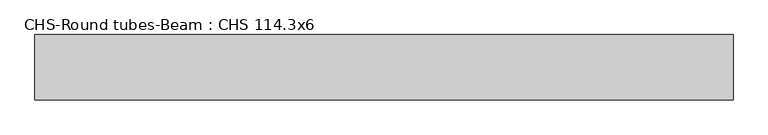
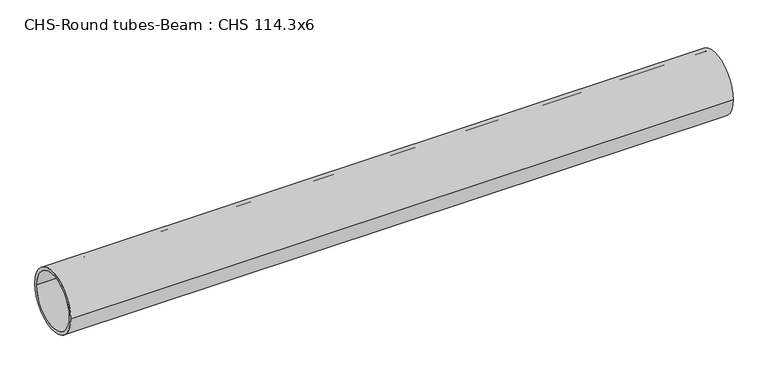
"""IFC4 building model written with IfcOpenShell, lengths in millimetres: beam geometry, CHS-Round tubes-Beam : CHS 114.3x6."""

from ifc_helpers import new_model, si_unit, point, frame, origin, origin_2d, place, context, project, spatial, circle_curve, trimmed, segment, composite_curve, outline, extrude, source, transform, mapped, element, save


def chs_round_tubes_beam_chs_114_3x6_eaed4450(model_context):
    return source(origin(), model_context, "Body", "SweptSolid", [
        extrude(outline(composite_curve([segment(trimmed(circle_curve(origin_2d(), 57.15), [point((57.15, 0.0))], [point((-57.15, 0.0))], False, "CARTESIAN"), True, "CONTINUOUS"), segment(trimmed(circle_curve(origin_2d(), 57.15), [point((-57.15, 0.0))], [point((57.15, 0.0))], False, "CARTESIAN"), True, "CONTINUOUS")], self_intersect=False), holes=[composite_curve([segment(trimmed(circle_curve(origin_2d(), 51.15), [point((51.15, 0.0))], [point((-51.15, 0.0))], True, "CARTESIAN"), True, "CONTINUOUS"), segment(trimmed(circle_curve(origin_2d(), 51.15), [point((-51.15, 0.0))], [point((51.15, 0.0))], True, "CARTESIAN"), True, "CONTINUOUS")], self_intersect=False)]), frame((-491.2007807, 0.0, 0.0), z_axis=(1.0, 0.0, 0.0), x_axis=(0.0, 1.0, 0.0)), (0.0, 0.0, 1.0), 1219.224467),
    ])


if __name__ == "__main__":
    model = new_model("IFC4")
    model_context = context("Model", 3, world=origin())
    ifc_project = project(units=[si_unit("LENGTHUNIT", "METRE", prefix="MILLI")], contexts=[model_context])
    site = spatial("IfcSite", under=ifc_project)
    building = spatial("IfcBuilding", under=site)
    placement = place(None, origin())
    chs_round_tubes_beam_chs_114_3x6_shape = chs_round_tubes_beam_chs_114_3x6_eaed4450(model_context)
    element("IfcBeam", 1, ObjectType="CHS-Round tubes-Beam : CHS 114.3x6", at=placement, inside=building, context=model_context, shape_type="MappedRepresentation", body=[
        mapped(chs_round_tubes_beam_chs_114_3x6_shape, transform((0.0, 0.0, 0.0), x_axis=(1.0, 0.0, 0.0), y_axis=(0.0, 1.0, 0.0), z_axis=(0.0, 0.0, 1.0))),
    ])
    save(model, "model.ifc")
